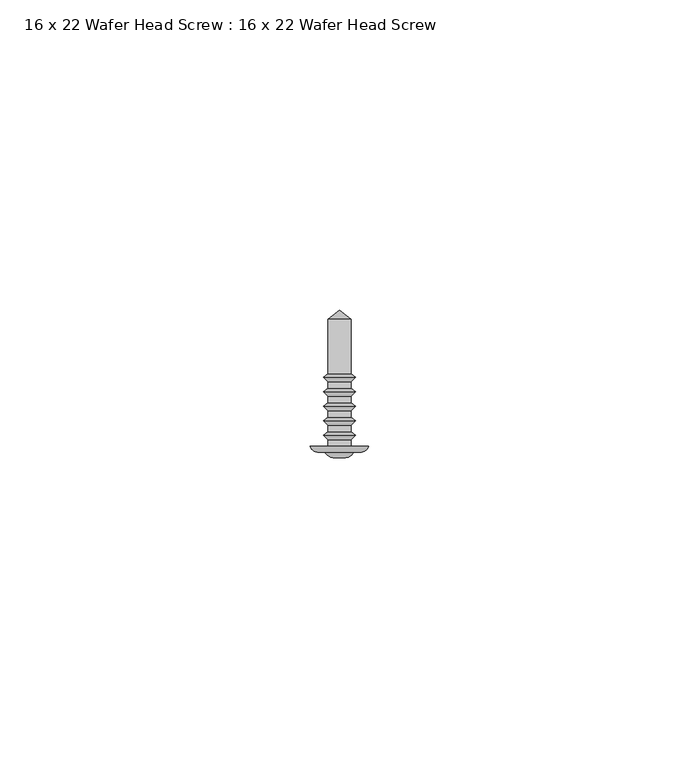
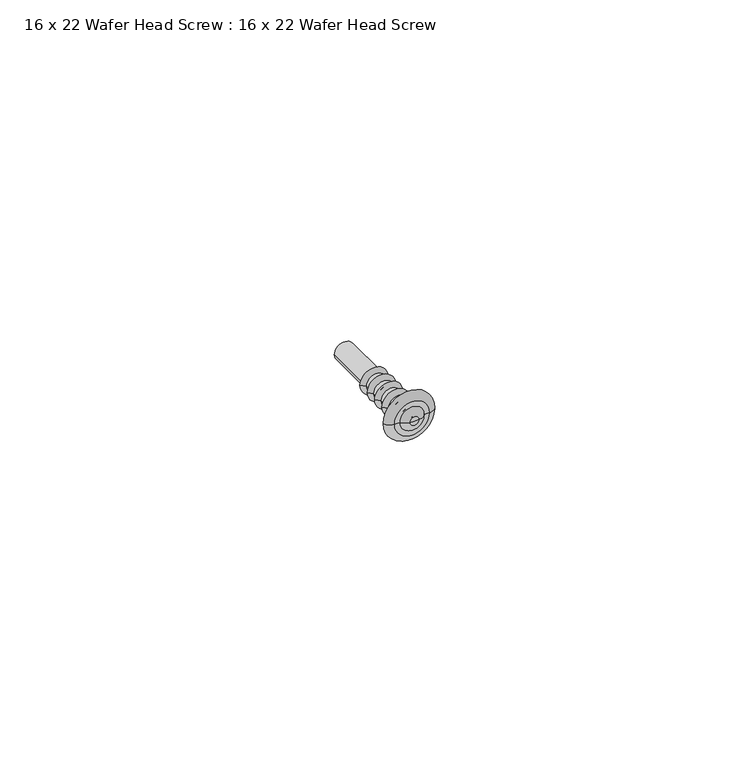
"""IFC4 building model written with IfcOpenShell, lengths in millimetres: proxy geometry, 16 x 22 Wafer Head Screw : 16 x 22 Wafer Head Screw."""

from ifc_helpers import new_model, si_unit, point, frame, origin, place, context, project, spatial, polyline, circle_curve, ellipse_curve, trimmed, source, transform, mapped, element, save
from ifc_brep_helpers import plane_surface, cylinder_surface, revolved_surface, advanced_brep


def proxy_16_x_22_wafer_head_screw_16_x_22_wafer_head_screw_abb2a41f(model_context):
    return source(origin(), model_context, "Body", "AdvancedBrep", [
        advanced_brep(
        [(-1.8554352, 11.6700547, 0.0), (-1.8554352, 20.4471271, 0.0), (1.8554352, 20.4471271, 0.0), (1.8554352, 11.6700547, 0.0), (-2.5766059, 11.0431506, 0.0), (2.5766059, 11.0431506, 0.0), (-1.8554352, 10.3219798, 0.0), (1.8554352, 10.3219798, 0.0), (-1.8554352, 9.3360438, 0.0), (1.8554352, 9.3360438, 0.0), (-2.5766059, 8.7091396, 0.0), (2.5766059, 8.7091396, 0.0), (-1.8554352, 7.9879689, 0.0), (1.8554352, 7.9879689, 0.0), (-1.8554352, 7.0020328, 0.0), (1.8554352, 7.0020328, 0.0), (-2.5766059, 6.3751287, 0.0), (2.5766059, 6.3751287, 0.0), (-1.8554352, 5.6539579, 0.0), (1.8554352, 5.6539579, 0.0), (-1.8554352, 4.6680219, 0.0), (1.8554352, 4.6680219, 0.0), (-2.5766059, 4.0411177, 0.0), (2.5766059, 4.0411177, 0.0), (-1.8554352, 3.319947, 0.0), (1.8554352, 3.319947, 0.0), (-1.8554352, 2.3340109, 0.0), (1.8554352, 2.3340109, 0.0), (-2.5766059, 1.7071068, 0.0), (2.5766059, 1.7071068, 0.0), (-1.8694992, 1.0, 0.0), (1.8694992, 1.0, 0.0), (-1.8694992, 0.0, 0.0), (1.8694992, 0.0, 0.0), (-4.7066403, 0.0, 0.0), (4.7066403, 0.0, 0.0), (-3.2807188, -1.0359925, 0.0), (3.2807188, -1.0359925, 0.0), (-2.2807188, -1.0359925, 0.0), (2.2807188, -1.0359925, 0.0), (-0.8626721, -1.8547022, 0.0), (0.8626721, -1.8547022, 0.0), (0.0, -1.8547022, 0.0), (0.0, 21.8452978, 0.0)],
        [
            (0, 1),
            (1, 2, circle_curve(frame((0.0, 20.4471271, 0.0), z_axis=(0.0, -1.0, 0.0), x_axis=(1.0, 0.0, 0.0)), 1.8554352)),
            (2, 3),
            (3, 0, circle_curve(frame((0.0, 11.6700547, 0.0), z_axis=(0.0, 1.0, 0.0), x_axis=(1.0, 0.0, 0.0)), 1.8554352)),
            (2, 1, circle_curve(frame((0.0, 20.4471271, 0.0), z_axis=(0.0, -1.0, 0.0), x_axis=(1.0, 0.0, 0.0)), 1.8554352)),
            (0, 3, circle_curve(frame((0.0, 11.6700547, 0.0), z_axis=(0.0, 1.0, 0.0), x_axis=(1.0, 0.0, 0.0)), 1.8554352)),
            (4, 0),
            (3, 5),
            (5, 4, circle_curve(frame((0.0, 11.0431506, 0.0), z_axis=(0.0, 1.0, 0.0), x_axis=(1.0, 0.0, 0.0)), 2.5766059)),
            (4, 5, circle_curve(frame((0.0, 11.0431506, 0.0), z_axis=(0.0, 1.0, 0.0), x_axis=(1.0, 0.0, 0.0)), 2.5766059)),
            (6, 4),
            (5, 7),
            (7, 6, circle_curve(frame((0.0, 10.3219798, 0.0), z_axis=(0.0, 1.0, 0.0), x_axis=(1.0, 0.0, 0.0)), 1.8554352)),
            (6, 7, circle_curve(frame((0.0, 10.3219798, 0.0), z_axis=(0.0, 1.0, 0.0), x_axis=(1.0, 0.0, 0.0)), 1.8554352)),
            (8, 6),
            (7, 9),
            (9, 8, circle_curve(frame((0.0, 9.3360438, 0.0), z_axis=(0.0, 1.0, 0.0), x_axis=(1.0, 0.0, 0.0)), 1.8554352)),
            (8, 9, circle_curve(frame((0.0, 9.3360438, 0.0), z_axis=(0.0, 1.0, 0.0), x_axis=(1.0, 0.0, 0.0)), 1.8554352)),
            (10, 8),
            (9, 11),
            (11, 10, circle_curve(frame((0.0, 8.7091396, 0.0), z_axis=(0.0, 1.0, 0.0), x_axis=(1.0, 0.0, 0.0)), 2.5766059)),
            (10, 11, circle_curve(frame((0.0, 8.7091396, 0.0), z_axis=(0.0, 1.0, 0.0), x_axis=(1.0, 0.0, 0.0)), 2.5766059)),
            (12, 10),
            (11, 13),
            (13, 12, circle_curve(frame((0.0, 7.9879689, 0.0), z_axis=(0.0, 1.0, 0.0), x_axis=(1.0, 0.0, 0.0)), 1.8554352)),
            (12, 13, circle_curve(frame((0.0, 7.9879689, 0.0), z_axis=(0.0, 1.0, 0.0), x_axis=(1.0, 0.0, 0.0)), 1.8554352)),
            (14, 12),
            (13, 15),
            (15, 14, circle_curve(frame((0.0, 7.0020328, 0.0), z_axis=(0.0, 1.0, 0.0), x_axis=(1.0, 0.0, 0.0)), 1.8554352)),
            (14, 15, circle_curve(frame((0.0, 7.0020328, 0.0), z_axis=(0.0, 1.0, 0.0), x_axis=(1.0, 0.0, 0.0)), 1.8554352)),
            (16, 14),
            (15, 17),
            (17, 16, circle_curve(frame((0.0, 6.3751287, 0.0), z_axis=(0.0, 1.0, 0.0), x_axis=(1.0, 0.0, 0.0)), 2.5766059)),
            (16, 17, circle_curve(frame((0.0, 6.3751287, 0.0), z_axis=(0.0, 1.0, 0.0), x_axis=(1.0, 0.0, 0.0)), 2.5766059)),
            (18, 16),
            (17, 19),
            (19, 18, circle_curve(frame((0.0, 5.6539579, 0.0), z_axis=(0.0, 1.0, 0.0), x_axis=(1.0, 0.0, 0.0)), 1.8554352)),
            (18, 19, circle_curve(frame((0.0, 5.6539579, 0.0), z_axis=(0.0, 1.0, 0.0), x_axis=(1.0, 0.0, 0.0)), 1.8554352)),
            (20, 18),
            (19, 21),
            (21, 20, circle_curve(frame((0.0, 4.6680219, 0.0), z_axis=(0.0, 1.0, 0.0), x_axis=(1.0, 0.0, 0.0)), 1.8554352)),
            (20, 21, circle_curve(frame((0.0, 4.6680219, 0.0), z_axis=(0.0, 1.0, 0.0), x_axis=(1.0, 0.0, 0.0)), 1.8554352)),
            (22, 20),
            (21, 23),
            (23, 22, circle_curve(frame((0.0, 4.0411177, 0.0), z_axis=(0.0, 1.0, 0.0), x_axis=(1.0, 0.0, 0.0)), 2.5766059)),
            (22, 23, circle_curve(frame((0.0, 4.0411177, 0.0), z_axis=(0.0, 1.0, 0.0), x_axis=(1.0, 0.0, 0.0)), 2.5766059)),
            (24, 22),
            (23, 25),
            (25, 24, circle_curve(frame((0.0, 3.319947, 0.0), z_axis=(0.0, 1.0, 0.0), x_axis=(1.0, 0.0, 0.0)), 1.8554352)),
            (24, 25, circle_curve(frame((0.0, 3.319947, 0.0), z_axis=(0.0, 1.0, 0.0), x_axis=(1.0, 0.0, 0.0)), 1.8554352)),
            (26, 24),
            (25, 27),
            (27, 26, circle_curve(frame((0.0, 2.3340109, 0.0), z_axis=(0.0, 1.0, 0.0), x_axis=(1.0, 0.0, 0.0)), 1.8554352)),
            (26, 27, circle_curve(frame((0.0, 2.3340109, 0.0), z_axis=(0.0, 1.0, 0.0), x_axis=(1.0, 0.0, 0.0)), 1.8554352)),
            (28, 26),
            (27, 29),
            (29, 28, circle_curve(frame((0.0, 1.7071068, 0.0), z_axis=(0.0, 1.0, 0.0), x_axis=(1.0, 0.0, 0.0)), 2.5766059)),
            (28, 29, circle_curve(frame((0.0, 1.7071068, 0.0), z_axis=(0.0, 1.0, 0.0), x_axis=(1.0, 0.0, 0.0)), 2.5766059)),
            (30, 28),
            (29, 31),
            (31, 30, circle_curve(frame((0.0, 1.0, 0.0), z_axis=(0.0, 1.0, 0.0), x_axis=(1.0, 0.0, 0.0)), 1.8694992)),
            (30, 31, circle_curve(frame((0.0, 1.0, 0.0), z_axis=(0.0, 1.0, 0.0), x_axis=(1.0, 0.0, 0.0)), 1.8694992)),
            (32, 30),
            (31, 33),
            (33, 32, circle_curve(frame((0.0, 0.0, 0.0), z_axis=(0.0, 1.0, 0.0), x_axis=(1.0, 0.0, 0.0)), 1.8694992)),
            (32, 33, circle_curve(frame((0.0, 0.0, 0.0), z_axis=(0.0, 1.0, 0.0), x_axis=(1.0, 0.0, 0.0)), 1.8694992)),
            (34, 32),
            (33, 35),
            (35, 34, circle_curve(frame((0.0, 0.0, 0.0), z_axis=(0.0, 1.0, 0.0), x_axis=(1.0, 0.0, 0.0)), 4.7066403)),
            (34, 35, circle_curve(frame((0.0, 0.0, 0.0), z_axis=(0.0, 1.0, 0.0), x_axis=(1.0, 0.0, 0.0)), 4.7066403)),
            (36, 34, circle_curve(frame((-3.3352308, 0.3882807, 0.0), z_axis=(0.0, 0.0, -1.0), x_axis=(0.0, -1.0, 0.0)), 1.425316)),
            (35, 37, circle_curve(frame((3.3352308, 0.3882807, 0.0), z_axis=(0.0, 0.0, -1.0), x_axis=(0.0, -1.0, 0.0)), 1.425316)),
            (37, 36, circle_curve(frame((0.0, -1.0359925, 0.0), z_axis=(0.0, 1.0, 0.0), x_axis=(1.0, 0.0, 0.0)), 3.2807188)),
            (36, 37, circle_curve(frame((0.0, -1.0359925, 0.0), z_axis=(0.0, 1.0, 0.0), x_axis=(1.0, 0.0, 0.0)), 3.2807188)),
            (38, 36),
            (37, 39),
            (39, 38, circle_curve(frame((0.0, -1.0359925, 0.0), z_axis=(0.0, 1.0, 0.0), x_axis=(1.0, 0.0, 0.0)), 2.2807188)),
            (38, 39, circle_curve(frame((0.0, -1.0359925, 0.0), z_axis=(0.0, 1.0, 0.0), x_axis=(1.0, 0.0, 0.0)), 2.2807188)),
            (40, 38, circle_curve(frame((-0.8939585, -0.2714724, 0.0), z_axis=(0.0, 0.0, -1.0), x_axis=(0.0, -1.0, 0.0)), 1.5835389)),
            (39, 41, circle_curve(frame((0.8939585, -0.2714724, 0.0), z_axis=(0.0, 0.0, -1.0), x_axis=(0.0, -1.0, 0.0)), 1.5835389)),
            (41, 40, circle_curve(frame((0.0, -1.8547022, 0.0), z_axis=(0.0, 1.0, 0.0), x_axis=(1.0, 0.0, 0.0)), 0.8626721)),
            (40, 41, circle_curve(frame((0.0, -1.8547022, 0.0), z_axis=(0.0, 1.0, 0.0), x_axis=(1.0, 0.0, 0.0)), 0.8626721)),
            (42, 40),
            (41, 42),
            (1, 43),
            (43, 2),
        ],
        [
            cylinder_surface(frame((0.0, 22.2103269, 0.0), z_axis=(0.0, -1.0, 0.0), x_axis=(1.0, 0.0, 0.0)), 1.8554352),
            revolved_surface(polyline([(1.8554352, 11.6700547, 0.0), (2.5766059, 11.0431506, 0.0)]), (0.0, 22.2103269, 0.0), (0.0, -1.0, 0.0)),
            revolved_surface(polyline([(2.5766059, 11.0431506, 0.0), (1.8554352, 10.3219798, 0.0)]), (0.0, 22.2103269, 0.0), (0.0, -1.0, 0.0)),
            revolved_surface(polyline([(1.8554352, 9.3360438, 0.0), (2.5766059, 8.7091396, 0.0)]), (0.0, 22.2103269, 0.0), (0.0, -1.0, 0.0)),
            revolved_surface(polyline([(2.5766059, 8.7091396, 0.0), (1.8554352, 7.9879689, 0.0)]), (0.0, 22.2103269, 0.0), (0.0, -1.0, 0.0)),
            revolved_surface(polyline([(1.8554352, 7.0020328, 0.0), (2.5766059, 6.3751287, 0.0)]), (0.0, 22.2103269, 0.0), (0.0, -1.0, 0.0)),
            revolved_surface(polyline([(2.5766059, 6.3751287, 0.0), (1.8554352, 5.6539579, 0.0)]), (0.0, 22.2103269, 0.0), (0.0, -1.0, 0.0)),
            revolved_surface(polyline([(1.8554352, 4.6680219, 0.0), (2.5766059, 4.0411177, 0.0)]), (0.0, 22.2103269, 0.0), (0.0, -1.0, 0.0)),
            revolved_surface(polyline([(2.5766059, 4.0411177, 0.0), (1.8554352, 3.319947, 0.0)]), (0.0, 22.2103269, 0.0), (0.0, -1.0, 0.0)),
            revolved_surface(polyline([(1.8554352, 2.3340109, 0.0), (2.5766059, 1.7071068, 0.0)]), (0.0, 22.2103269, 0.0), (0.0, -1.0, 0.0)),
            revolved_surface(polyline([(2.5766059, 1.7071068, 0.0), (1.8694992, 1.0, 0.0)]), (0.0, 22.2103269, 0.0), (0.0, -1.0, 0.0)),
            cylinder_surface(frame((0.0, 22.2103269, 0.0), z_axis=(0.0, -1.0, 0.0), x_axis=(1.0, 0.0, 0.0)), 1.8694992),
            plane_surface(frame((0.0, 0.0, 0.0), z_axis=(0.0, 1.0, 0.0), x_axis=(1.0, 0.0, 0.0))),
            revolved_surface(trimmed(ellipse_curve(frame((3.3352308, 0.3882807, 0.0), z_axis=(0.0, 0.0, -1.0), x_axis=(0.0, -1.0, 0.0)), 1.425316, 1.425316), [point((4.7066403, 0.0, 0.0))], [point((3.2807188, -1.0359925, 0.0))], True, "CARTESIAN"), (0.0, 22.2103269, 0.0), (0.0, -1.0, 0.0)),
            plane_surface(frame((0.0, -1.0359925, 0.0), z_axis=(0.0, -1.0, 0.0), x_axis=(1.0, 0.0, 0.0))),
            revolved_surface(trimmed(ellipse_curve(frame((0.8939585, -0.2714724, 0.0), z_axis=(0.0, 0.0, -1.0), x_axis=(0.0, -1.0, 0.0)), 1.5835389, 1.5835389), [point((2.2807188, -1.0359925, 0.0))], [point((0.8626721, -1.8547022, 0.0))], True, "CARTESIAN"), (0.0, 22.2103269, 0.0), (0.0, -1.0, 0.0)),
            plane_surface(frame((0.0, -1.8547022, 0.0), z_axis=(0.0, -1.0, 0.0), x_axis=(1.0, 0.0, 0.0))),
            revolved_surface(polyline([(0.0, 21.8452978, 0.0), (1.8554352, 20.4471271, 0.0)]), (0.0, 22.2103269, 0.0), (0.0, -1.0, 0.0)),
        ],
        [
            (0, [[1, 2, 3, 4]]),
            (0, [[-3, 5, -1, 6]]),
            (1, [[7, -4, 8, 9]]),
            (1, [[-8, -6, -7, 10]]),
            (2, [[11, -9, 12, 13]]),
            (2, [[-12, -10, -11, 14]]),
            (0, [[15, -13, 16, 17]]),
            (0, [[-16, -14, -15, 18]]),
            (3, [[19, -17, 20, 21]]),
            (3, [[-20, -18, -19, 22]]),
            (4, [[23, -21, 24, 25]]),
            (4, [[-24, -22, -23, 26]]),
            (0, [[27, -25, 28, 29]]),
            (0, [[-28, -26, -27, 30]]),
            (5, [[31, -29, 32, 33]]),
            (5, [[-32, -30, -31, 34]]),
            (6, [[35, -33, 36, 37]]),
            (6, [[-36, -34, -35, 38]]),
            (0, [[39, -37, 40, 41]]),
            (0, [[-40, -38, -39, 42]]),
            (7, [[43, -41, 44, 45]]),
            (7, [[-44, -42, -43, 46]]),
            (8, [[47, -45, 48, 49]]),
            (8, [[-48, -46, -47, 50]]),
            (0, [[51, -49, 52, 53]]),
            (0, [[-52, -50, -51, 54]]),
            (9, [[55, -53, 56, 57]]),
            (9, [[-56, -54, -55, 58]]),
            (10, [[59, -57, 60, 61]]),
            (10, [[-60, -58, -59, 62]]),
            (11, [[63, -61, 64, 65]]),
            (11, [[-64, -62, -63, 66]]),
            (12, [[67, -65, 68, 69]]),
            (12, [[-68, -66, -67, 70]]),
            (13, [[71, -69, 72, 73]]),
            (13, [[-72, -70, -71, 74]]),
            (14, [[75, -73, 76, 77]]),
            (14, [[-76, -74, -75, 78]]),
            (15, [[79, -77, 80, 81]]),
            (15, [[-80, -78, -79, 82]]),
            (16, [[83, -81, 84]]),
            (16, [[-84, -82, -83]]),
            (17, [[85, 86, -2]]),
            (17, [[-86, -85, -5]]),
        ],
    ),
    ])


if __name__ == "__main__":
    model = new_model("IFC4")
    model_context = context("Model", 3, world=origin())
    ifc_project = project(units=[si_unit("LENGTHUNIT", "METRE", prefix="MILLI")], contexts=[model_context])
    site = spatial("IfcSite", under=ifc_project)
    building = spatial("IfcBuilding", under=site)
    placement = place(None, origin())
    proxy_16_x_22_wafer_head_screw_16_x_22_wafer_head_screw_shape = proxy_16_x_22_wafer_head_screw_16_x_22_wafer_head_screw_abb2a41f(model_context)
    element("IfcBuildingElementProxy", 1, Name="16 x 22 Wafer Head Screw : 16 x 22 Wafer Head Screw", ObjectType="16 x 22 Wafer Head Screw : 16 x 22 Wafer Head Screw", at=placement, inside=building, context=model_context, shape_type="MappedRepresentation", body=[
        mapped(proxy_16_x_22_wafer_head_screw_16_x_22_wafer_head_screw_shape, transform((0.0, 0.0, 0.0), x_axis=(1.0, 0.0, 0.0), y_axis=(0.0, 1.0, 0.0), z_axis=(0.0, 0.0, 1.0))),
    ])
    save(model, "model.ifc")
